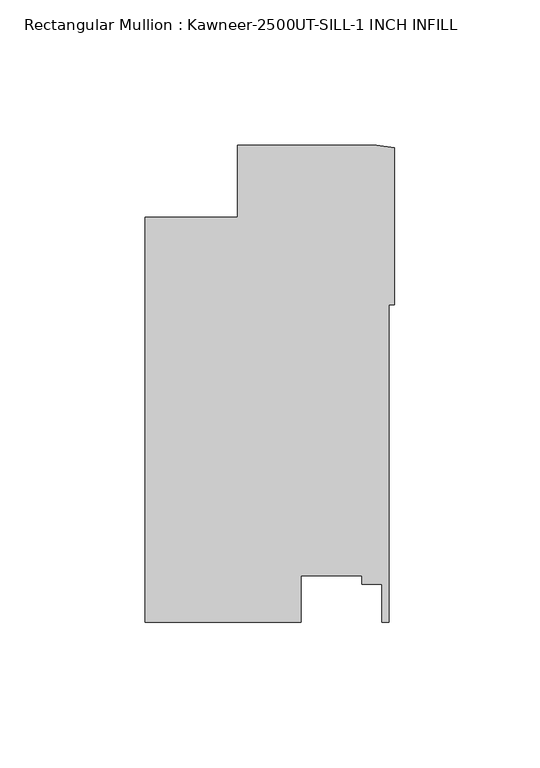
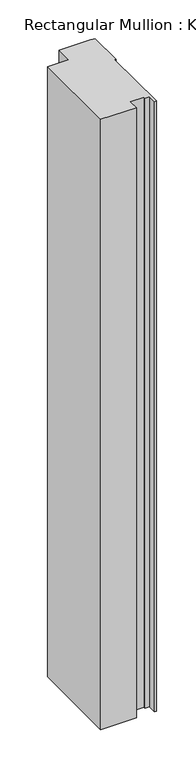
"""IFC4 building model written with IfcOpenShell, lengths in millimetres: member geometry, Rectangular Mullion : Kawneer-2500UT-SILL-1 INCH INFILL."""

from ifc_helpers import new_model, si_unit, point, frame, frame_2d, origin, place, context, project, spatial, polyline, circle_curve, trimmed, segment, composite_curve, outline, extrude, source, transform, mapped, element, save


def rectangular_mullion_kawneer_2500ut_sill_1_inch_infill_fe86629c(model_context):
    return source(origin(), model_context, "Body", "SweptSolid", [
        extrude(outline(composite_curve([segment(polyline([(-85.8370969, -24.8046875), (-54.0872101, -24.8040411), (-54.0872101, -0.0023481), (-6.2338824, -0.0023481)]), True, "CONTINUOUS"), segment(trimmed(circle_curve(frame_2d((1.9614918, 38.576115)), 39.4393455), [point((-6.2338824, -0.0023481))], [point((0.0, -0.8144235))], True, "CARTESIAN"), True, "CONTINUOUS"), segment(polyline([(0.0, -0.8144235), (0.0, -54.8449535), (-1.8773984, -54.8449535), (-1.8773984, -163.9966875), (-4.4173983, -163.9966875), (-4.4173983, -150.9528883), (-11.275398, -150.9528883), (-11.275398, -148.098283), (-32.2220472, -148.098283), (-32.2220472, -163.9966875), (-85.8370969, -163.9966875), (-85.8370969, -24.8046875)]), True, "CONTINUOUS")], self_intersect=False)), frame((0.0, 0.0, -973.9409087), z_axis=(0.0, 0.0, 1.0), x_axis=(1.0, 0.0, 0.0)), (0.0, 0.0, 1.0), 973.9409087),
    ])


if __name__ == "__main__":
    model = new_model("IFC4")
    model_context = context("Model", 3, world=origin())
    ifc_project = project(units=[si_unit("LENGTHUNIT", "METRE", prefix="MILLI")], contexts=[model_context])
    site = spatial("IfcSite", under=ifc_project)
    building = spatial("IfcBuilding", under=site)
    placement = place(None, origin())
    rectangular_mullion_kawneer_2500ut_sill_1_inch_infill_shape = rectangular_mullion_kawneer_2500ut_sill_1_inch_infill_fe86629c(model_context)
    element("IfcMember", 1, ObjectType="Rectangular Mullion : Kawneer-2500UT-SILL-1 INCH INFILL", at=placement, inside=building, context=model_context, shape_type="MappedRepresentation", body=[
        mapped(rectangular_mullion_kawneer_2500ut_sill_1_inch_infill_shape, transform((0.0, 0.0, 0.0), x_axis=(1.0, 0.0, 0.0), y_axis=(0.0, 1.0, 0.0), z_axis=(0.0, 0.0, 1.0))),
    ])
    save(model, "model.ifc")
